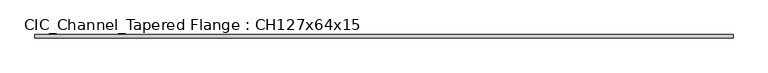
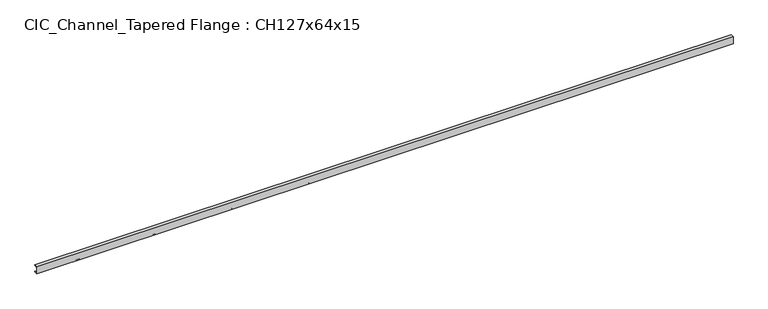
"""IFC4 building model written with IfcOpenShell, lengths in millimetres: beam geometry, CIC_Channel_Tapered Flange : CH127x64x15."""

from ifc_helpers import new_model, si_unit, point, frame, frame_2d, origin, place, context, project, spatial, polyline, circle_curve, trimmed, segment, composite_curve, outline, extrude, source, transform, mapped, element, save


def cic_channel_tapered_flange_ch127x64x15_abe5fae4(model_context):
    return source(origin(), model_context, "Body", "SweptSolid", [
        extrude(outline(composite_curve([segment(polyline([(-19.4, 63.5), (44.1, 63.5)]), True, "CONTINUOUS"), segment(trimmed(circle_curve(frame_2d((34.9, 63.5)), 9.2), [point((44.1, 63.5))], [point((34.9, 54.3))], False, "CARTESIAN"), True, "CONTINUOUS"), segment(polyline([(34.9, 54.3), (-13.0, 46.7133853), (-13.0, -46.7133853), (34.9, -54.3)]), True, "CONTINUOUS"), segment(trimmed(circle_curve(frame_2d((34.9, -63.5)), 9.2), [point((34.9, -54.3))], [point((44.1, -63.5))], False, "CARTESIAN"), True, "CONTINUOUS"), segment(polyline([(44.1, -63.5), (-19.4, -63.5), (-19.4, 63.5)]), True, "CONTINUOUS")], self_intersect=False)), frame((-6210.15, 0.0, 0.0), z_axis=(1.0, 0.0, 0.0), x_axis=(0.0, 1.0, 0.0)), (0.0, 0.0, 1.0), 12420.3),
    ])


if __name__ == "__main__":
    model = new_model("IFC4")
    model_context = context("Model", 3, world=origin())
    ifc_project = project(units=[si_unit("LENGTHUNIT", "METRE", prefix="MILLI")], contexts=[model_context])
    site = spatial("IfcSite", under=ifc_project)
    building = spatial("IfcBuilding", under=site)
    placement = place(None, origin())
    cic_channel_tapered_flange_ch127x64x15_shape = cic_channel_tapered_flange_ch127x64x15_abe5fae4(model_context)
    element("IfcBeam", 1, ObjectType="CIC_Channel_Tapered Flange : CH127x64x15", at=placement, inside=building, context=model_context, shape_type="MappedRepresentation", body=[
        mapped(cic_channel_tapered_flange_ch127x64x15_shape, transform((0.0, 0.0, 0.0), x_axis=(1.0, 0.0, 0.0), y_axis=(0.0, 1.0, 0.0), z_axis=(0.0, 0.0, 1.0))),
    ])
    save(model, "model.ifc")
